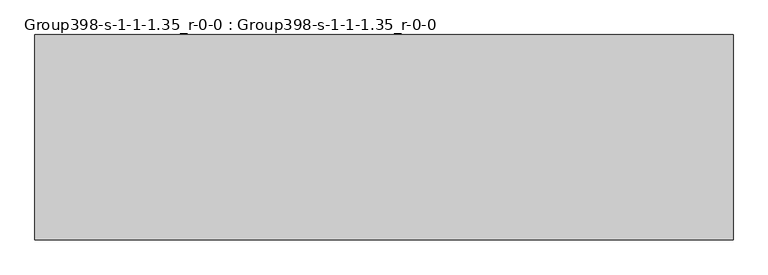
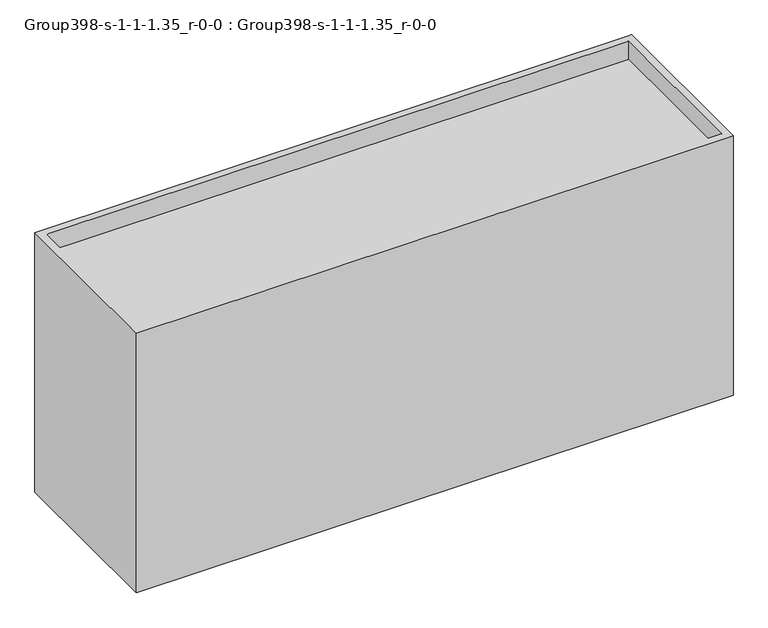
"""IFC4 building model written with IfcOpenShell, lengths in millimetres: geographic element geometry, Group398-s-1-1-1.35_r-0-0 : Group398-s-1-1-1.35_r-0-0."""

from ifc_helpers import new_model, si_unit, origin, place, context, project, spatial, triangles, source, transform, mapped, element, save


def group398_s_1_1_1_35_r_0_0_group398_s_1_1_1_35_r_0_0_b7061ee0(model_context):
    return source(origin(), model_context, "Body", "Tessellation", [
        triangles([(16976.7253876, 7585.0748062, 0.0), (-8792.4749451, 0.0, 0.0), (-8792.4749451, 7585.0748062, 0.0), (16976.7253876, 0.0, 0.0), (16671.9253876, 7280.2748062, 11847.1617462), (16671.9253876, 304.8, 11024.2015137), (16671.9253876, 304.8, 11847.1617462), (16671.9253876, 7280.2748062, 11024.2015137), (-8487.6749451, 7280.2748062, 11024.2015137), (-8487.6749451, 7280.2748062, 11847.1617462), (16976.7253876, 0.0, 11847.1617462), (16976.7253876, 7585.0748062, 11847.1617462), (-8792.4749451, 0.0, 11847.1617462), (-8792.4749451, 7585.0748062, 11847.1617462), (-8487.6749451, 304.8, 11847.1617462), (-8487.6749451, 304.8, 11024.2015137)], [[1, 2, 3], [2, 1, 4], [5, 6, 7], [6, 5, 8], [5, 9, 8], [9, 5, 10], [1, 11, 4], [11, 1, 12], [13, 3, 2], [3, 13, 14], [13, 15, 14], [15, 13, 11], [15, 11, 7], [7, 11, 5], [14, 10, 12], [10, 14, 15], [12, 10, 5], [12, 5, 11], [14, 1, 3], [1, 14, 12], [4, 13, 2], [13, 4, 11], [9, 15, 16], [15, 9, 10], [15, 6, 16], [6, 15, 7], [6, 9, 16], [9, 6, 8]]),
    ])


if __name__ == "__main__":
    model = new_model("IFC4")
    model_context = context("Model", 3, world=origin())
    ifc_project = project(units=[si_unit("LENGTHUNIT", "METRE", prefix="MILLI")], contexts=[model_context])
    site = spatial("IfcSite", under=ifc_project)
    building = spatial("IfcBuilding", under=site)
    placement = place(None, origin())
    group398_s_1_1_1_35_r_0_0_group398_s_1_1_1_35_r_0_0_shape = group398_s_1_1_1_35_r_0_0_group398_s_1_1_1_35_r_0_0_b7061ee0(model_context)
    element("IfcGeographicElement", 1, ObjectType="Group398-s-1-1-1.35_r-0-0 : Group398-s-1-1-1.35_r-0-0", at=placement, inside=building, context=model_context, shape_type="MappedRepresentation", body=[
        mapped(group398_s_1_1_1_35_r_0_0_group398_s_1_1_1_35_r_0_0_shape, transform((0.0, 0.0, 0.0), x_axis=(1.0, 0.0, 0.0), y_axis=(0.0, 1.0, 0.0), z_axis=(0.0, 0.0, 1.0))),
    ])
    save(model, "model.ifc")
